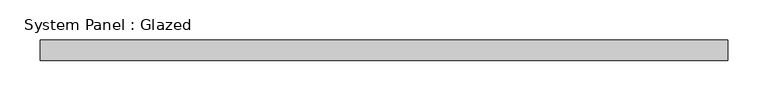
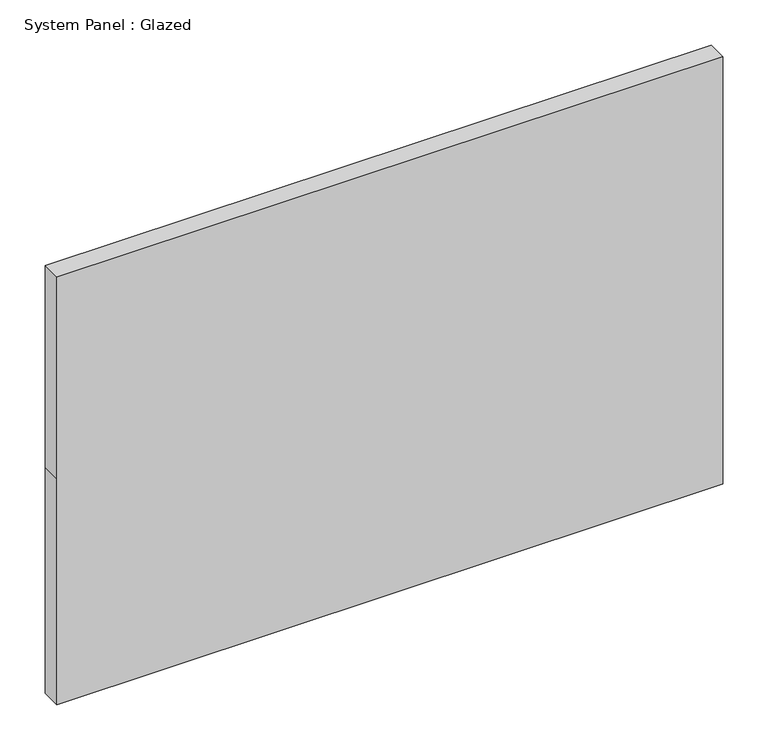
"""IFC4 building model written with IfcOpenShell, lengths in millimetres: plate geometry, System Panel : Glazed."""

from ifc_helpers import new_model, si_unit, frame, origin, place, context, project, spatial, polyline, outline, extrude, source, transform, mapped, element, save


def system_panel_glazed_29f5f716(model_context):
    return source(origin(), model_context, "Body", "SweptSolid", [
        extrude(outline(polyline([(0.0, -425.45), (0.0, 425.45), (304.8, 425.45), (577.85, 425.45), (577.85, -425.45), (304.8, -425.45), (0.0, -425.45)])), frame((0.0, 19.05, 0.0), z_axis=(0.0, 1.0, 0.0), x_axis=(0.0, 0.0, 1.0)), (0.0, 0.0, 1.0), 25.4),
    ])


if __name__ == "__main__":
    model = new_model("IFC4")
    model_context = context("Model", 3, world=origin())
    ifc_project = project(units=[si_unit("LENGTHUNIT", "METRE", prefix="MILLI")], contexts=[model_context])
    site = spatial("IfcSite", under=ifc_project)
    building = spatial("IfcBuilding", under=site)
    placement = place(None, origin())
    system_panel_glazed_shape = system_panel_glazed_29f5f716(model_context)
    element("IfcPlate", 1, ObjectType="System Panel : Glazed", at=placement, inside=building, context=model_context, shape_type="MappedRepresentation", body=[
        mapped(system_panel_glazed_shape, transform((0.0, 0.0, 0.0), x_axis=(1.0, 0.0, 0.0), y_axis=(0.0, 1.0, 0.0), z_axis=(0.0, 0.0, 1.0))),
    ])
    save(model, "model.ifc")
